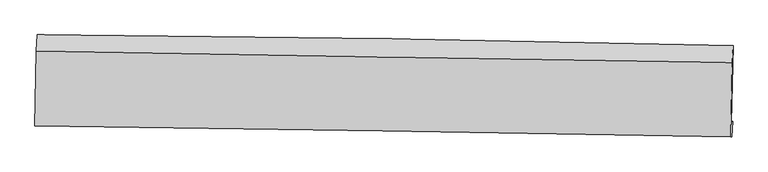
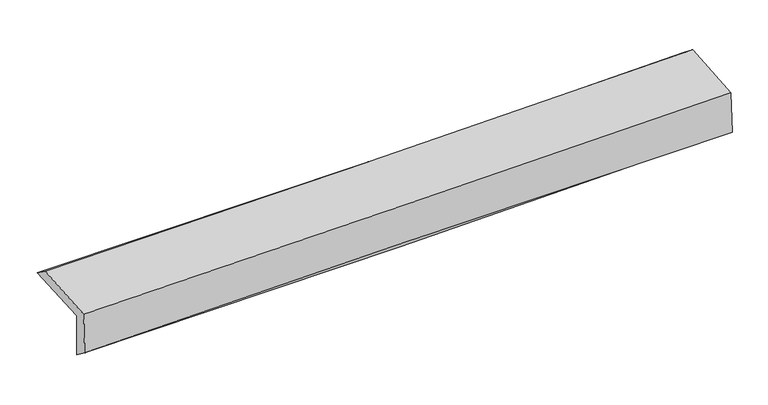
"""IFC4 building model written with IfcOpenShell, lengths in millimetres: proxy geometry."""

from ifc_helpers import new_model, si_unit, frame, origin, place, context, project, spatial, source, transform, mapped, element, save
from ifc_brep_helpers import plane_surface, spline_curve, spline_surface, advanced_brep


def generic_models_4fa95080(model_context):
    return source(origin(), model_context, "Body", "AdvancedBrep", [
        advanced_brep(
        [(-3026.1132266, -1769.2125045, 1978.0961148), (-3011.4457919, -1097.3695597, 1992.2896117), (3014.4442656, -1189.6230681, 2129.9159612), (2999.585288, -1862.5770654, 2122.0831739), (-3015.1477758, -1750.0897699, 1575.957059), (3010.2751555, -1850.5920396, 1724.3635614), (-3021.0193838, -1888.8692418, 1681.477946), (3004.760037, -1984.0943502, 1820.7879296), (-3031.1516091, -1889.163193, 2067.9037672), (2994.4236464, -1984.3942246, 2215.0002685), (-3017.4009457, -1238.8540833, 2098.6879679), (3008.0957573, -1337.8000877, 2245.6086105)],
        [
            (0, 1),
            (1, 2, spline_curve(3, [(-3011.4457919, -1097.3695597, 1992.2896117), (-2006.28894104, -1103.686056284, 1989.72060525), (-1001.538382516, -1114.53245307, 1999.905670903), (1007.091589572, -1145.284150772, 2045.782607765), (2010.971049853, -1165.188923321, 2081.472992214), (3014.4442656, -1189.6230681, 2129.9159612)], [4, 2, 4], [0.0, 9.88974425840324, 19.77891186719231])),
            (2, 3),
            (3, 0, spline_curve(3, [(2999.585288, -1862.5770654, 2122.0831739), (1995.850305657, -1843.198375839, 2079.311210051), (991.855918951, -1825.728821868, 2045.926382682), (-1016.710222633, -1794.607079185, 1997.929601383), (-2021.282007108, -1780.955112454, 1983.318742375), (-3026.1132266, -1769.2125045, 1978.0961148)], [4, 2, 4], [0.0, 9.88916760878907, 19.77891186719231])),
            (4, 0),
            (3, 5),
            (5, 4, spline_curve(3, [(3010.2751555, -1850.5920396, 1724.3635614), (2006.677963464, -1827.644530242, 1679.381897156), (1002.775437887, -1807.795740374, 1644.523922059), (-1005.698837092, -1774.294622109, 1595.053907455), (-2010.270621976, -1760.642655803, 1580.443048243), (-3015.1477758, -1750.0897699, 1575.957059)], [4, 2, 4], [0.0, 9.888844800715189, 19.778266232221213])),
            (6, 4),
            (5, 7),
            (7, 6, spline_curve(3, [(3004.760037, -1984.0943502, 1820.7879296), (2000.393028455, -1963.62103678, 1803.071156414), (996.075877687, -1945.449118682, 1782.604023322), (-1012.517268557, -1913.707147689, 1736.167682637), (-2016.79325785, -1900.137362986, 1710.198154656), (-3021.0193838, -1888.8692418, 1681.477946)], [4, 2, 4], [0.0, 9.888449942936674, 19.777476493639536])),
            (8, 6),
            (7, 9),
            (9, 8, spline_curve(3, [(2994.4236464, -1984.3942246, 2215.0002685), (1990.421115183, -1963.910337105, 2183.382949838), (986.303221118, -1945.732638392, 2155.316502889), (-1022.221850603, -1913.988692121, 2106.283921378), (-2026.629041628, -1900.422713842, 2085.318201589), (-3031.1516091, -1889.163193, 2067.9037672)], [4, 2, 4], [0.0, 9.888409539146064, 19.77739568370232])),
            (10, 8),
            (9, 11),
            (11, 10, spline_curve(3, [(3008.0957573, -1337.8000877, 2245.6086105), (2003.991608535, -1322.121997157, 2213.763796148), (999.829449646, -1306.03770385, 2185.598251689), (-1008.669444368, -1273.055749769, 2136.624275086), (-2013.006186763, -1256.158041677, 2115.816271882), (-3017.4009457, -1238.8540833, 2098.6879679)], [4, 2, 4], [0.0, 9.888425804708396, 19.777428215775448])),
            (1, 10),
            (11, 2),
        ],
        [
            spline_surface(3, 3, [[(-3026.1132266, -1769.2125045, 1978.0961148), (-2021.282007248, -1780.955112499, 1983.318742487), (-1016.710222478, -1794.607079036, 1997.929601462), (991.855918796, -1825.728822016, 2045.926382603), (1995.850305571, -1843.198375728, 2079.311210012), (2999.585288, -1862.5770654, 2122.0831739)], [(-3021.224081698, -1545.264856246, 1982.827280408), (-2016.284318516, -1555.198760427, 1985.452696735), (-1011.652942465, -1567.91553705, 1998.588291213), (996.934475651, -1598.913931608, 2045.878457685), (2000.890553696, -1617.195224949, 2080.03180409), (3004.538280554, -1638.259066292, 2124.694103003)], [(-3016.334936802, -1321.317207954, 1987.558446092), (-2011.286629791, -1329.442408315, 1987.586651061), (-1006.595662385, -1341.22399505, 1999.246981016), (1002.013032573, -1372.099041186, 2045.830532819), (2005.930801759, -1391.192074193, 2080.752398159), (3009.491273046, -1413.941067208, 2127.305032097)], [(-3011.4457919, -1097.3695597, 1992.2896117), (-2006.288941058, -1103.686056243, 1989.720605309), (-1001.538382372, -1114.532453064, 1999.905670767), (1007.091589428, -1145.284150777, 2045.782607902), (2010.971049884, -1165.188923414, 2081.472992237), (3014.4442656, -1189.6230681, 2129.9159612)]], [4, 4], [4, 2, 4], [0.0, 2.232382332092547], [0.0, 9.88974425840324, 19.77891186719231]),
            spline_surface(3, 3, [[(-3015.1477758, -1750.0897699, 1575.957059), (-2010.270621876, -1760.642655727, 1580.44304837), (-1005.698837006, -1774.294622265, 1595.053907345), (1002.775437802, -1807.795740218, 1644.523922168), (2006.677963396, -1827.644530256, 1679.381897315), (3010.2751555, -1850.5920396, 1724.3635614)], [(-3018.802926085, -1756.464014761, 1710.00341096), (-2013.941083685, -1767.413474646, 1714.734946435), (-1009.369298815, -1781.065441183, 1729.345805411), (999.135598149, -1813.773434145, 1778.32474234), (2003.068744112, -1832.829145437, 1812.691668227), (3006.711866324, -1854.587048224, 1856.936765579)], [(-3022.458076315, -1762.838259639, 1844.04976284), (-2017.61154544, -1774.184293581, 1849.026844421), (-1013.03976067, -1787.836260118, 1863.637703396), (995.495758449, -1819.751128089, 1912.125562431), (1999.459524855, -1838.013760547, 1946.001439101), (3003.148577176, -1858.582056776, 1989.509969721)], [(-3026.1132266, -1769.2125045, 1978.0961148), (-2021.282007248, -1780.955112499, 1983.318742487), (-1016.710222478, -1794.607079036, 1997.929601462), (991.855918796, -1825.728822016, 2045.926382603), (1995.850305571, -1843.198375728, 2079.311210012), (2999.585288, -1862.5770654, 2122.0831739)]], [4, 4], [4, 2, 4], [0.0, 1.3213347812476588], [0.0, 9.889421431506024, 19.778266232221213]),
            spline_surface(3, 3, [[(-3021.0193838, -1888.8692418, 1681.477946), (-2016.793257936, -1900.137362876, 1710.198154806), (-1012.517268474, -1913.707147573, 1736.167682761), (996.075877604, -1945.449118797, 1782.604023198), (2000.393028415, -1963.621036855, 1803.071156444), (3004.760037, -1984.0943502, 1820.7879296)], [(-3019.062181125, -1842.609417836, 1646.304316998), (-2014.619045908, -1853.639127162, 1666.946452659), (-1010.244457998, -1867.236305819, 1689.129757611), (998.309064324, -1899.564659286, 1736.577322843), (2002.488006738, -1918.295534631, 1761.841403405), (3006.598409829, -1939.593579976, 1788.646473538)], [(-3017.104978475, -1796.349593864, 1611.130688002), (-2012.444833904, -1807.140891441, 1623.694750517), (-1007.971647483, -1820.765464019, 1642.091832495), (1000.542251082, -1853.680199729, 1690.550622523), (2004.582985073, -1872.97003248, 1720.611650354), (3008.436782671, -1895.092809824, 1756.505017462)], [(-3015.1477758, -1750.0897699, 1575.957059), (-2010.270621876, -1760.642655727, 1580.44304837), (-1005.698837006, -1774.294622265, 1595.053907345), (1002.775437802, -1807.795740218, 1644.523922168), (2006.677963396, -1827.644530256, 1679.381897315), (3010.2751555, -1850.5920396, 1724.3635614)]], [4, 4], [4, 2, 4], [0.0, 0.6456206678697888], [0.0, 9.889026550702862, 19.777476493639536]),
            spline_surface(3, 3, [[(-3031.1516091, -1889.163193, 2067.9037672), (-2026.629041728, -1900.422713859, 2085.318201603), (-1022.221850594, -1913.988692174, 2106.283921533), (986.303221109, -1945.732638339, 2155.316502733), (1990.421115159, -1963.910337216, 2183.38294995), (2994.4236464, -1984.3942246, 2215.0002685)], [(-3027.774200679, -1889.065209273, 1939.095160109), (-2023.350447143, -1900.32759687, 1960.27818598), (-1018.986989897, -1913.894843971, 1982.911841939), (989.560773265, -1945.638131823, 2031.079009551), (1993.745086239, -1963.813903787, 2056.612352113), (2997.869109927, -1984.294266491, 2083.596155532)], [(-3024.396792221, -1888.967225527, 1810.286553091), (-2020.071852521, -1900.232479864, 1835.238170429), (-1015.752129172, -1913.800995775, 1859.539762356), (992.818325449, -1945.543625313, 1906.84151638), (1997.069057336, -1963.717470285, 1929.84175428), (3001.314573473, -1984.194308309, 1952.192042568)], [(-3021.0193838, -1888.8692418, 1681.477946), (-2016.793257936, -1900.137362876, 1710.198154806), (-1012.517268474, -1913.707147573, 1736.167682761), (996.075877604, -1945.449118797, 1782.604023198), (2000.393028415, -1963.621036855, 1803.071156444), (3004.760037, -1984.0943502, 1820.7879296)]], [4, 4], [4, 2, 4], [0.0, 1.2189699606741846], [0.0, 9.888986144556256, 19.77739568370232]),
            spline_surface(3, 3, [[(-3017.4009457, -1238.8540833, 2098.6879679), (-2013.006186815, -1256.15804163, 2115.816271949), (-1008.669444492, -1273.055749769, 2136.624275071), (999.82944977, -1306.03770385, 2185.598251704), (2003.991608392, -1322.121997202, 2213.763796113), (3008.0957573, -1337.8000877, 2245.6086105)], [(-3021.98450014, -1455.623786511, 2088.426567684), (-2017.547138426, -1470.912932351, 2105.650248517), (-1013.186913171, -1486.70006391, 2126.510823889), (995.320706905, -1519.269348685, 2175.504335377), (1999.46811064, -1536.051443867, 2203.636847384), (3003.538386991, -1553.33146666, 2235.405829826)], [(-3026.56805466, -1672.393489789, 2078.165167416), (-2022.088090117, -1685.667823139, 2095.484225034), (-1017.704381915, -1700.344378033, 2116.397372716), (990.811963974, -1732.500993503, 2165.41041906), (1994.944612912, -1749.980890551, 2193.509898679), (2998.981016709, -1768.86284564, 2225.203049174)], [(-3031.1516091, -1889.163193, 2067.9037672), (-2026.629041728, -1900.422713859, 2085.318201603), (-1022.221850594, -1913.988692174, 2106.283921533), (986.303221109, -1945.732638339, 2155.316502733), (1990.421115159, -1963.910337216, 2183.38294995), (2994.4236464, -1984.3942246, 2215.0002685)]], [4, 4], [4, 2, 4], [0.0, 2.1035891385890273], [0.0, 9.889002411067052, 19.777428215775448]),
            spline_surface(3, 3, [[(-3011.4457919, -1097.3695597, 1992.2896117), (-2006.288941058, -1103.686056243, 1989.720605309), (-1001.538382372, -1114.532453064, 1999.905670767), (1007.091589428, -1145.284150777, 2045.782607902), (2010.971049884, -1165.188923414, 2081.472992237), (3014.4442656, -1189.6230681, 2129.9159612)], [(-3013.430843174, -1144.531067574, 2027.755730442), (-2008.528022985, -1154.510051379, 2031.752494197), (-1003.915403071, -1167.373551947, 2045.478538878), (1004.670876216, -1198.86866845, 2092.387822511), (2008.644569393, -1217.499948, 2125.569926851), (3012.328096173, -1239.015407957, 2168.480177622)], [(-3015.415894426, -1191.692575426, 2063.221849158), (-2010.767104889, -1205.334046494, 2073.784383061), (-1006.292423792, -1220.214650886, 2091.051406961), (1002.250162982, -1252.453186177, 2138.993037094), (2006.318088883, -1269.810972615, 2169.666861498), (3010.211926727, -1288.407747843, 2207.044394078)], [(-3017.4009457, -1238.8540833, 2098.6879679), (-2013.006186815, -1256.15804163, 2115.816271949), (-1008.669444492, -1273.055749769, 2136.624275071), (999.82944977, -1306.03770385, 2185.598251704), (2003.991608392, -1322.121997202, 2213.763796113), (3008.0957573, -1337.8000877, 2245.6086105)]], [4, 4], [4, 2, 4], [0.0, 0.6932902191947525], [0.0, 9.889360605816856, 19.778144584389494]),
            plane_surface(frame((3005.264025, -1701.5134726, 2042.9599175), z_axis=(0.9994066720806583, -0.022371937531254677, 0.02618778745448931), x_axis=(0.026211346609824965, 0.0007604308154006489, -0.9996561344051637))),
            plane_surface(frame((-3020.3797888, -1605.5930587, 1899.0687444), z_axis=(-0.9994066720808064, 0.0223719375244906, -0.026187787454614843), x_axis=(-0.021821574432666767, -0.9995388504590885, -0.021116470164390656))),
        ],
        [
            (0, [[1, 2, 3, 4]]),
            (1, [[5, -4, 6, 7]]),
            (2, [[8, -7, 9, 10]]),
            (3, [[11, -10, 12, 13]]),
            (4, [[14, -13, 15, 16]]),
            (5, [[17, -16, 18, -2]]),
            (6, [[-12, -9, -6, -3, -18, -15]]),
            (7, [[-1, -5, -8, -11, -14, -17]]),
        ],
    ),
    ])


if __name__ == "__main__":
    model = new_model("IFC4")
    model_context = context("Model", 3, world=origin())
    ifc_project = project(units=[si_unit("LENGTHUNIT", "METRE", prefix="MILLI")], contexts=[model_context])
    site = spatial("IfcSite", under=ifc_project)
    building = spatial("IfcBuilding", under=site)
    placement = place(None, origin())
    generic_models_shape = generic_models_4fa95080(model_context)
    element("IfcBuildingElementProxy", 1, Name="Generic Models", at=placement, inside=building, context=model_context, shape_type="MappedRepresentation", body=[
        mapped(generic_models_shape, transform((0.0, 0.0, 0.0), x_axis=(1.0, 0.0, 0.0), y_axis=(0.0, 1.0, 0.0), z_axis=(0.0, 0.0, 1.0))),
    ])
    save(model, "model.ifc")
